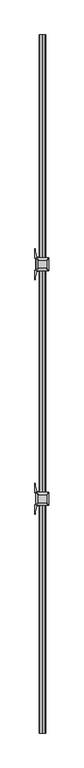
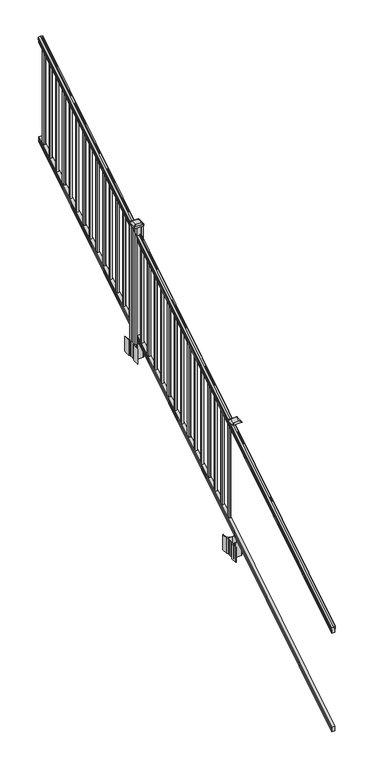
"""IFC4 building model written with IfcOpenShell, lengths in millimetres: railing geometry."""

from ifc_helpers import new_model, si_unit, point, frame, frame_2d, origin, place, context, project, spatial, polyline, circle_curve, ellipse_curve, trimmed, segment, composite_curve, outline, extrude, faceted_brep, source, transform, mapped, element, save
from ifc_brep_helpers import plane_surface, cylinder_surface, revolved_surface, extruded_surface, advanced_brep


def railing_c92afcb0(model_context):
    return source(origin(), model_context, "Body", "SolidModel", [
        advanced_brep(
        [(12633.3130321, -7669.8194681, 1285.6070492), (12633.3130321, -7669.8194681, 1287.8335658), (12634.4432184, -7669.8194681, 1289.6758543), (12634.4432184, -7669.8194681, 1298.1876358), (12633.793962, -7669.8194681, 1301.0572588), (12636.293962, -7669.8194681, 1306.1635509), (12637.7033045, -7669.8194681, 1308.1442021), (12638.1052035, -7669.8194681, 1309.4469579), (12638.1052034, -7669.8194681, 1311.0274846), (12636.5517561, -7669.8194681, 1312.8593836), (12615.8802034, -7669.8194681, 1312.8593836), (12595.2086506, -7669.8194681, 1312.8593836), (12593.6552034, -7669.8194681, 1311.0274846), (12593.6552034, -7669.8194681, 1309.4469579), (12594.0571023, -7669.8194681, 1308.1442021), (12595.4664447, -7669.8194681, 1306.1635509), (12597.9664447, -7669.8194681, 1301.0572588), (12597.3171883, -7669.8194681, 1298.1876358), (12597.3171883, -7669.8194681, 1289.6758543), (12598.4473746, -7669.8194681, 1287.8335658), (12598.4473746, -7669.8194681, 1285.6070492), (12601.0212034, -7669.8194681, 1285.6070492), (12601.0212034, -7669.8194681, 1273.225537), (12600.0052034, -7669.8194681, 1272.0274214), (12600.0052034, -7669.8194681, 1257.3), (12631.7552034, -7669.8194681, 1257.3), (12631.7552034, -7669.8194681, 1271.841318), (12630.7392034, -7669.8194681, 1273.0394336), (12630.7392034, -7669.8194681, 1285.6070492), (12633.3130321, -2793.0194681, 4333.6070492), (12630.7392034, -2793.0194681, 4333.6070492), (12630.7392034, -2793.0194681, 4321.0394336), (12631.7552034, -2793.0194681, 4319.841318), (12631.7552034, -2793.0194681, 4305.3), (12600.0052034, -2793.0194681, 4305.3), (12600.0052034, -2793.0194681, 4320.0274214), (12601.0212034, -2793.0194681, 4321.225537), (12601.0212034, -2793.0194681, 4333.6070492), (12598.4473746, -2793.0194681, 4333.6070492), (12598.4473746, -2793.0194681, 4335.8335658), (12597.3171883, -2793.0194681, 4337.6758543), (12597.3171883, -2793.0194681, 4346.1876358), (12597.9664447, -2793.0194681, 4349.0572588), (12595.4664447, -2793.0194681, 4354.1635509), (12594.0571023, -2793.0194681, 4356.1442021), (12593.6552033, -2793.0194681, 4357.4469579), (12593.6552034, -2793.0194681, 4359.0274846), (12595.2086506, -2793.0194681, 4360.8593836), (12615.8802034, -2793.0194681, 4360.8593836), (12636.5517561, -2793.0194681, 4360.8593836), (12638.1052034, -2793.0194681, 4359.0274846), (12638.1052034, -2793.0194681, 4357.4469579), (12637.7033045, -2793.0194681, 4356.1442021), (12636.293962, -2793.0194681, 4354.1635509), (12633.793962, -2793.0194681, 4349.0572588), (12634.4432184, -2793.0194681, 4346.1876358), (12634.4432184, -2793.0194681, 4337.6758543), (12633.3130321, -2793.0194681, 4335.8335658)],
        [
            (0, 1),
            (1, 2, ellipse_curve(frame((12626.9982788, -7669.8194681, 1294.6239405), z_axis=(0.0, -1.0, 0.0), x_axis=(0.0, 0.0, -1.0)), 10.0777926, 8.545951)),
            (2, 3, ellipse_curve(frame((12627.4353418, -7669.8194681, 1293.9317451), z_axis=(0.0, -1.0, 0.0), x_axis=(0.0, 0.0, -1.0)), 9.2955186, 7.882584)),
            (3, 4, ellipse_curve(frame((12637.9486659, -7669.8194681, 1300.8275077), z_axis=(0.0, 1.0, 0.0), x_axis=(0.0, 0.0, 1.0)), 4.9048088, 4.1592695)),
            (4, 5, ellipse_curve(frame((12639.2359725, -7669.8194681, 1300.7563208), z_axis=(0.0, 1.0, 0.0), x_axis=(0.0, 0.0, 1.0)), 6.4245301, 5.4479907)),
            (5, 6, ellipse_curve(frame((12638.002814, -7669.8194681, 1306.1602333), z_axis=(0.0, 1.0, 0.0), x_axis=(0.0, 0.0, 1.0)), 2.0151625, 1.7088543)),
            (6, 7, ellipse_curve(frame((12636.3859139, -7669.8194681, 1309.4469579), z_axis=(0.0, -1.0, 0.0), x_axis=(0.0, 0.0, -1.0)), 2.0274681, 1.7192895)),
            (7, 8),
            (8, 9, ellipse_curve(frame((12636.5517561, -7669.8194681, 1311.0274846), z_axis=(0.0, -1.0, 0.0), x_axis=(0.0, 0.0, -1.0)), 1.831899, 1.5534472)),
            (9, 10),
            (10, 11),
            (11, 12, ellipse_curve(frame((12595.2086506, -7669.8194681, 1311.0274846), z_axis=(0.0, -1.0, 0.0), x_axis=(0.0, 0.0, -1.0)), 1.831899, 1.5534472)),
            (12, 13),
            (13, 14, ellipse_curve(frame((12595.3744928, -7669.8194681, 1309.4469579), z_axis=(0.0, -1.0, 0.0), x_axis=(0.0, 0.0, -1.0)), 2.0274681, 1.7192895)),
            (14, 15, ellipse_curve(frame((12593.7575927, -7669.8194681, 1306.1602333), z_axis=(0.0, 1.0, 0.0), x_axis=(0.0, 0.0, 1.0)), 2.0151625, 1.7088543)),
            (15, 16, ellipse_curve(frame((12592.5244343, -7669.8194681, 1300.7563208), z_axis=(0.0, 1.0, 0.0), x_axis=(0.0, 0.0, 1.0)), 6.4245301, 5.4479907)),
            (16, 17, ellipse_curve(frame((12593.8117408, -7669.8194681, 1300.8275077), z_axis=(0.0, 1.0, 0.0), x_axis=(0.0, 0.0, 1.0)), 4.9048088, 4.1592695)),
            (17, 18, ellipse_curve(frame((12604.325065, -7669.8194681, 1293.9317451), z_axis=(0.0, -1.0, 0.0), x_axis=(0.0, 0.0, -1.0)), 9.2955186, 7.882584)),
            (18, 19, ellipse_curve(frame((12604.7621279, -7669.8194681, 1294.6239405), z_axis=(0.0, -1.0, 0.0), x_axis=(0.0, 0.0, -1.0)), 10.0777926, 8.545951)),
            (19, 20),
            (20, 21, ellipse_curve(frame((12599.734289, -7669.8194681, 1285.6070492), z_axis=(0.0, -1.0, 0.0), x_axis=(0.0, 0.0, -1.0)), 1.5175907, 1.2869144)),
            (21, 22),
            (22, 23),
            (23, 24),
            (24, 25),
            (25, 26),
            (26, 27),
            (27, 28),
            (28, 0, ellipse_curve(frame((12632.0261177, -7669.8194681, 1285.6070492), z_axis=(0.0, -1.0, 0.0), x_axis=(0.0, 0.0, -1.0)), 1.5175907, 1.2869144)),
            (29, 30, ellipse_curve(frame((12632.0261177, -2793.0194681, 4333.6070492), z_axis=(0.0, 1.0, 0.0), x_axis=(0.0, 0.0, -1.0)), 1.5175907, 1.2869144)),
            (30, 31),
            (31, 32),
            (32, 33),
            (33, 34),
            (34, 35),
            (35, 36),
            (36, 37),
            (37, 38, ellipse_curve(frame((12599.734289, -2793.0194681, 4333.6070492), z_axis=(0.0, 1.0, 0.0), x_axis=(0.0, 0.0, -1.0)), 1.5175907, 1.2869144)),
            (38, 39),
            (39, 40, ellipse_curve(frame((12604.7621279, -2793.0194681, 4342.6239405), z_axis=(0.0, 1.0, 0.0), x_axis=(0.0, 0.0, -1.0)), 10.0777926, 8.545951)),
            (40, 41, ellipse_curve(frame((12604.325065, -2793.0194681, 4341.9317451), z_axis=(0.0, 1.0, 0.0), x_axis=(0.0, 0.0, -1.0)), 9.2955186, 7.882584)),
            (41, 42, ellipse_curve(frame((12593.8117408, -2793.0194681, 4348.8275077), z_axis=(0.0, -1.0, 0.0), x_axis=(0.0, 0.0, 1.0)), 4.9048088, 4.1592695)),
            (42, 43, ellipse_curve(frame((12592.5244343, -2793.0194681, 4348.7563208), z_axis=(0.0, -1.0, 0.0), x_axis=(0.0, 0.0, 1.0)), 6.4245301, 5.4479907)),
            (43, 44, ellipse_curve(frame((12593.7575927, -2793.0194681, 4354.1602333), z_axis=(0.0, -1.0, 0.0), x_axis=(0.0, 0.0, 1.0)), 2.0151625, 1.7088543)),
            (44, 45, ellipse_curve(frame((12595.3744928, -2793.0194681, 4357.4469579), z_axis=(0.0, 1.0, 0.0), x_axis=(0.0, 0.0, -1.0)), 2.0274681, 1.7192895)),
            (45, 46),
            (46, 47, ellipse_curve(frame((12595.2086506, -2793.0194681, 4359.0274846), z_axis=(0.0, 1.0, 0.0), x_axis=(0.0, 0.0, -1.0)), 1.831899, 1.5534472)),
            (47, 48),
            (48, 49),
            (49, 50, ellipse_curve(frame((12636.5517561, -2793.0194681, 4359.0274846), z_axis=(0.0, 1.0, 0.0), x_axis=(0.0, 0.0, -1.0)), 1.831899, 1.5534472)),
            (50, 51),
            (51, 52, ellipse_curve(frame((12636.3859139, -2793.0194681, 4357.4469579), z_axis=(0.0, 1.0, 0.0), x_axis=(0.0, 0.0, -1.0)), 2.0274681, 1.7192895)),
            (52, 53, ellipse_curve(frame((12638.002814, -2793.0194681, 4354.1602333), z_axis=(0.0, -1.0, 0.0), x_axis=(0.0, 0.0, 1.0)), 2.0151625, 1.7088543)),
            (53, 54, ellipse_curve(frame((12639.2359725, -2793.0194681, 4348.7563208), z_axis=(0.0, -1.0, 0.0), x_axis=(0.0, 0.0, 1.0)), 6.4245301, 5.4479907)),
            (54, 55, ellipse_curve(frame((12637.9486659, -2793.0194681, 4348.8275077), z_axis=(0.0, -1.0, 0.0), x_axis=(0.0, 0.0, 1.0)), 4.9048088, 4.1592695)),
            (55, 56, ellipse_curve(frame((12627.4353418, -2793.0194681, 4341.9317451), z_axis=(0.0, 1.0, 0.0), x_axis=(0.0, 0.0, -1.0)), 9.2955186, 7.882584)),
            (56, 57, ellipse_curve(frame((12626.9982788, -2793.0194681, 4342.6239405), z_axis=(0.0, 1.0, 0.0), x_axis=(0.0, 0.0, -1.0)), 10.0777926, 8.545951)),
            (57, 29),
            (28, 30),
            (29, 0),
            (27, 31),
            (26, 32),
            (25, 33),
            (24, 34),
            (23, 35),
            (22, 36),
            (21, 37),
            (20, 38),
            (19, 39),
            (18, 40),
            (17, 41),
            (16, 42),
            (15, 43),
            (14, 44),
            (13, 45),
            (12, 46),
            (11, 47),
            (10, 48),
            (9, 49),
            (8, 50),
            (7, 51),
            (6, 52),
            (5, 53),
            (4, 54),
            (3, 55),
            (2, 56),
            (1, 57),
        ],
        [
            plane_surface(frame((12615.8802034, -7669.8194681, 1257.3), z_axis=(0.0, -1.0, 0.0), x_axis=(0.0, 0.0, 1.0))),
            plane_surface(frame((12615.8802034, -2793.0194681, 4305.3), z_axis=(0.0, 1.0, 0.0), x_axis=(0.0, 0.0, 1.0))),
            cylinder_surface(frame((12632.0261177, -7682.5417374, 1277.6556309), z_axis=(0.0, -0.8479983040051253, -0.5299989400031204), x_axis=(-1.0, 0.0, 0.0)), 1.2869144),
            plane_surface(frame((12630.7392034, -7669.8194681, 1273.0394336), z_axis=(1.0000000000000002, 0.0, 0.0), x_axis=(0.0, 0.8479983040051253, 0.5299989400031204))),
            plane_surface(frame((12631.7552034, -7669.8194681, 1271.841318), z_axis=(0.7071067811865389, -0.3747658444978942, 0.5996253511967224), x_axis=(0.0, 0.8479983040051252, 0.5299989400031204))),
            plane_surface(frame((12631.7552034, -7669.8194681, 1257.3), z_axis=(1.0000000000000002, 0.0, 0.0), x_axis=(0.0, 0.8479983040051253, 0.5299989400031204))),
            plane_surface(frame((12600.0052034, -7669.8194681, 1257.3), z_axis=(0.0, 0.5299989400031204, -0.8479983040051253), x_axis=(0.0, 0.8479983040051253, 0.5299989400031204))),
            plane_surface(frame((12600.0052034, -7669.8194681, 1272.0274214), z_axis=(-1.0000000000000002, 0.0, 0.0), x_axis=(0.0, 0.8479983040051253, 0.5299989400031204))),
            plane_surface(frame((12601.0212034, -7669.8194681, 1273.225537), z_axis=(-0.7071067811865438, -0.3747658444978897, 0.5996253511967192), x_axis=(0.0, 0.8479983040051252, 0.5299989400031204))),
            plane_surface(frame((12601.0212034, -7669.8194681, 1285.6070492), z_axis=(-1.0000000000000002, 0.0, 0.0), x_axis=(0.0, 0.8479983040051253, 0.5299989400031204))),
            cylinder_surface(frame((12599.734289, -7682.5417374, 1277.6556309), z_axis=(0.0, -0.8479983040051253, -0.5299989400031204), x_axis=(1.0, 0.0, 0.0)), 1.2869144),
            plane_surface(frame((12598.4473746, -7669.8194681, 1287.8335658), z_axis=(-1.0000000000000002, 0.0, 0.0), x_axis=(0.0, 0.8479983040051253, 0.5299989400031204))),
            cylinder_surface(frame((12604.7621279, -7686.5942728, 1284.1396876), z_axis=(0.0, -0.8479983040051253, -0.5299989400031204), x_axis=(1.0, 0.0, 0.0)), 8.545951),
            cylinder_surface(frame((12604.325065, -7686.2831737, 1283.641929), z_axis=(0.0, -0.8479983040051253, -0.5299989400031204), x_axis=(1.0, 0.0, 0.0)), 7.882584),
            revolved_surface(polyline([(12597.9710103, -2790.8150596503465, 4350.205262980555), (12597.9710103, -7672.023876549438, 1299.4497524191)]), (12593.8117408, -7689.3823929, 1288.6006797), (0.0, 0.8479983040051253, 0.5299989400031204)),
            revolved_surface(polyline([(12597.972425, -2790.132038835738, 4350.5609640771845), (12597.972425, -7672.7068973528085, 1298.9516775044933)]), (12592.5244343, -7689.3503988, 1288.5494891), (0.0, 0.8479983040051253, 0.5299989400031204)),
            revolved_surface(polyline([(12595.466447, -2792.113777099784, 4354.726290199656), (12595.466447, -7670.725159122471, 1305.5941764359536)]), (12593.7575927, -7691.7791235, 1292.4354487), (0.0, 0.8479983040051253, 0.5299989400031204)),
            cylinder_surface(frame((12595.3744928, -7693.2563031, 1294.798936), z_axis=(0.0, -0.8479983040051253, -0.5299989400031204), x_axis=(1.0, 0.0, 0.0)), 1.7192895),
            plane_surface(frame((12593.6552034, -7669.8194681, 1311.0274846), z_axis=(-1.0000000000000002, 0.0, 0.0), x_axis=(0.0, 0.8479983040051253, 0.5299989400031204))),
            cylinder_surface(frame((12595.2086506, -7693.9666522, 1295.9354945), z_axis=(0.0, -0.8479983040051253, -0.5299989400031204), x_axis=(1.0, 0.0, 0.0)), 1.5534472),
            plane_surface(frame((12615.8802034, -7669.8194681, 1312.8593836), z_axis=(0.0, -0.5299989400031204, 0.8479983040051253), x_axis=(0.0, 0.8479983040051253, 0.5299989400031204))),
            plane_surface(frame((12636.5517561, -7669.8194681, 1312.8593836), z_axis=(0.0, -0.5299989400031204, 0.8479983040051253), x_axis=(0.0, 0.8479983040051253, 0.5299989400031204))),
            cylinder_surface(frame((12636.5517561, -7693.9666522, 1295.9354945), z_axis=(0.0, -0.8479983040051253, -0.5299989400031204), x_axis=(-1.0, 0.0, 0.0)), 1.5534472),
            plane_surface(frame((12638.1052034, -7669.8194681, 1309.4469579), z_axis=(1.0000000000000002, 0.0, 0.0), x_axis=(0.0, 0.8479983040051253, 0.5299989400031204))),
            cylinder_surface(frame((12636.3859139, -7693.2563031, 1294.798936), z_axis=(0.0, -0.8479983040051253, -0.5299989400031204), x_axis=(-1.0, 0.0, 0.0)), 1.7192895),
            revolved_surface(polyline([(12636.293959699999, -2792.113777099784, 4354.726290199656), (12636.293959699999, -7670.725159122471, 1305.5941764359536)]), (12638.002814, -7691.7791235, 1292.4354487), (0.0, 0.8479983040051253, 0.5299989400031204)),
            revolved_surface(polyline([(12633.7879818, -2790.132038835738, 4350.5609640771845), (12633.7879818, -7672.7068973528085, 1298.9516775044933)]), (12639.2359725, -7689.3503988, 1288.5494891), (0.0, 0.8479983040051253, 0.5299989400031204)),
            revolved_surface(polyline([(12633.7893964, -2790.8150596503465, 4350.205262980555), (12633.7893964, -7672.023876549438, 1299.4497524191)]), (12637.9486659, -7689.3823929, 1288.6006797), (0.0, 0.8479983040051253, 0.5299989400031204)),
            cylinder_surface(frame((12627.4353418, -7686.2831737, 1283.641929), z_axis=(0.0, -0.8479983040051253, -0.5299989400031204), x_axis=(-1.0, 0.0, 0.0)), 7.882584),
            cylinder_surface(frame((12626.9982788, -7686.5942728, 1284.1396876), z_axis=(0.0, -0.8479983040051253, -0.5299989400031204), x_axis=(-1.0, 0.0, 0.0)), 8.545951),
            plane_surface(frame((12633.3130321, -7669.8194681, 1285.6070492), z_axis=(1.0, 0.0, 0.0), x_axis=(0.0, 0.8479983040051253, 0.5299989400031203))),
        ],
        [
            (0, [[1, 2, 3, 4, 5, 6, 7, 8, 9, 10, 11, 12, 13, 14, 15, 16, 17, 18, 19, 20, 21, 22, 23, 24, 25, 26, 27, 28, 29]]),
            (1, [[30, 31, 32, 33, 34, 35, 36, 37, 38, 39, 40, 41, 42, 43, 44, 45, 46, 47, 48, 49, 50, 51, 52, 53, 54, 55, 56, 57, 58]]),
            (2, [[-29, 59, -30, 60]]),
            (3, [[-28, 61, -31, -59]]),
            (4, [[-27, 62, -32, -61]]),
            (5, [[-26, 63, -33, -62]]),
            (6, [[-25, 64, -34, -63]]),
            (7, [[-24, 65, -35, -64]]),
            (8, [[-23, 66, -36, -65]]),
            (9, [[-22, 67, -37, -66]]),
            (10, [[-21, 68, -38, -67]]),
            (11, [[-20, 69, -39, -68]]),
            (12, [[-19, 70, -40, -69]]),
            (13, [[-18, 71, -41, -70]]),
            (14, [[-17, 72, -42, -71]]),
            (15, [[-16, 73, -43, -72]]),
            (16, [[-15, 74, -44, -73]]),
            (17, [[-14, 75, -45, -74]]),
            (18, [[-13, 76, -46, -75]]),
            (19, [[-12, 77, -47, -76]]),
            (20, [[-11, 78, -48, -77]]),
            (21, [[-10, 79, -49, -78]]),
            (22, [[-9, 80, -50, -79]]),
            (23, [[-8, 81, -51, -80]]),
            (24, [[-7, 82, -52, -81]]),
            (25, [[-6, 83, -53, -82]]),
            (26, [[-5, 84, -54, -83]]),
            (27, [[-4, 85, -55, -84]]),
            (28, [[-3, 86, -56, -85]]),
            (29, [[-2, 87, -57, -86]]),
            (30, [[-1, -60, -58, -87]]),
        ],
    ),
        faceted_brep([(12631.7926903, -7669.8194681, 268.8045079), (12630.7766903, -7669.8194681, 270.338026), (12630.7766903, -7669.8194681, 282.5545048), (12631.7926903, -7669.8194681, 284.1444579), (12631.7926903, -7669.8194681, 298.9244744), (12600.0426903, -7669.8194681, 298.9244744), (12600.0426903, -7669.8194681, 284.1248272), (12601.0586903, -7669.8194681, 282.5348741), (12601.0586903, -7669.8194681, 270.3748303), (12600.0426903, -7669.8194681, 268.7848772), (12600.0426903, -7669.8194681, 254.0), (12631.7926903, -7669.8194681, 254.0), (12631.7926903, -2793.0194681, 3316.8045079), (12631.7926903, -2793.0194681, 3302.0), (12600.0426903, -2793.0194681, 3302.0), (12600.0426903, -2793.0194681, 3316.7848772), (12601.0586903, -2793.0194681, 3318.3748303), (12601.0586903, -2793.0194681, 3330.5348741), (12600.0426903, -2793.0194681, 3332.1248272), (12600.0426903, -2793.0194681, 3346.9244744), (12631.7926903, -2793.0194681, 3346.9244744), (12631.7926903, -2793.0194681, 3332.1444579), (12630.7766903, -2793.0194681, 3330.5545048), (12630.7766903, -2793.0194681, 3318.338026)], [[[0, 1, 2, 3, 4, 5, 6, 7, 8, 9, 10, 11]], [[12, 13, 14, 15, 16, 17, 18, 19, 20, 21, 22, 23]], [[0, 11, 13, 12]], [[11, 10, 14, 13]], [[10, 9, 15, 14]], [[9, 8, 16, 15]], [[8, 7, 17, 16]], [[7, 6, 18, 17]], [[6, 5, 19, 18]], [[5, 4, 20, 19]], [[4, 3, 21, 20]], [[3, 2, 22, 21]], [[2, 1, 23, 22]], [[1, 0, 12, 23]]]),
        extrude(outline(polyline([(12625.4052034, -2862.9964681), (12606.3552034, -2862.9964681), (12606.3552034, -2843.9464681), (12625.4052034, -2843.9464681), (12625.4052034, -2862.9964681)]), holes=[polyline([(12625.0083284, -2862.5995931), (12625.0083284, -2844.3433431), (12606.7520784, -2844.3433431), (12606.7520784, -2862.5995931), (12625.0083284, -2862.5995931)])]), frame((0.0, 0.0, 3302.3133781), z_axis=(0.0, 0.0, 1.0), x_axis=(1.0, 0.0, 0.0)), (0.0, 0.0, 1.0), 965.2041219),
        extrude(outline(polyline([(12625.4052034, -2974.2484681), (12606.3552034, -2974.2484681), (12606.3552034, -2955.1984681), (12625.4052034, -2955.1984681), (12625.4052034, -2974.2484681)]), holes=[polyline([(12625.0083284, -2973.8515931), (12625.0083284, -2955.5953431), (12606.7520784, -2955.5953431), (12606.7520784, -2973.8515931), (12625.0083284, -2973.8515931)])]), frame((0.0, 0.0, 3232.7808781), z_axis=(0.0, 0.0, 1.0), x_axis=(1.0, 0.0, 0.0)), (0.0, 0.0, 1.0), 965.2041219),
        extrude(outline(polyline([(12625.4052034, -3085.5004681), (12606.3552034, -3085.5004681), (12606.3552034, -3066.4504681), (12625.4052034, -3066.4504681), (12625.4052034, -3085.5004681)]), holes=[polyline([(12625.0083284, -3085.1035931), (12625.0083284, -3066.8473431), (12606.7520784, -3066.8473431), (12606.7520784, -3085.1035931), (12625.0083284, -3085.1035931)])]), frame((0.0, 0.0, 3163.2483781), z_axis=(0.0, 0.0, 1.0), x_axis=(1.0, 0.0, 0.0)), (0.0, 0.0, 1.0), 965.2041219),
        extrude(outline(polyline([(12625.4052034, -3196.7524681), (12606.3552034, -3196.7524681), (12606.3552034, -3177.7024681), (12625.4052034, -3177.7024681), (12625.4052034, -3196.7524681)]), holes=[polyline([(12625.0083284, -3196.3555931), (12625.0083284, -3178.0993431), (12606.7520784, -3178.0993431), (12606.7520784, -3196.3555931), (12625.0083284, -3196.3555931)])]), frame((0.0, 0.0, 3093.7158781), z_axis=(0.0, 0.0, 1.0), x_axis=(1.0, 0.0, 0.0)), (0.0, 0.0, 1.0), 965.2041219),
        extrude(outline(polyline([(12625.4052034, -3308.0044681), (12606.3552034, -3308.0044681), (12606.3552034, -3288.9544681), (12625.4052034, -3288.9544681), (12625.4052034, -3308.0044681)]), holes=[polyline([(12625.0083284, -3307.6075931), (12625.0083284, -3289.3513431), (12606.7520784, -3289.3513431), (12606.7520784, -3307.6075931), (12625.0083284, -3307.6075931)])]), frame((0.0, 0.0, 3024.1833781), z_axis=(0.0, 0.0, 1.0), x_axis=(1.0, 0.0, 0.0)), (0.0, 0.0, 1.0), 965.2041219),
        extrude(outline(polyline([(12625.4052034, -3419.2564681), (12606.3552034, -3419.2564681), (12606.3552034, -3400.2064681), (12625.4052034, -3400.2064681), (12625.4052034, -3419.2564681)]), holes=[polyline([(12625.0083284, -3418.8595931), (12625.0083284, -3400.6033431), (12606.7520784, -3400.6033431), (12606.7520784, -3418.8595931), (12625.0083284, -3418.8595931)])]), frame((0.0, 0.0, 2954.6508781), z_axis=(0.0, 0.0, 1.0), x_axis=(1.0, 0.0, 0.0)), (0.0, 0.0, 1.0), 965.2041219),
        extrude(outline(polyline([(12625.4052034, -3530.5084681), (12606.3552034, -3530.5084681), (12606.3552034, -3511.4584681), (12625.4052034, -3511.4584681), (12625.4052034, -3530.5084681)]), holes=[polyline([(12625.0083284, -3530.1115931), (12625.0083284, -3511.8553431), (12606.7520784, -3511.8553431), (12606.7520784, -3530.1115931), (12625.0083284, -3530.1115931)])]), frame((0.0, 0.0, 2885.1183781), z_axis=(0.0, 0.0, 1.0), x_axis=(1.0, 0.0, 0.0)), (0.0, 0.0, 1.0), 965.2041219),
        extrude(outline(polyline([(12625.4052034, -3641.7604681), (12606.3552034, -3641.7604681), (12606.3552034, -3622.7104681), (12625.4052034, -3622.7104681), (12625.4052034, -3641.7604681)]), holes=[polyline([(12625.0083284, -3641.3635931), (12625.0083284, -3623.1073431), (12606.7520784, -3623.1073431), (12606.7520784, -3641.3635931), (12625.0083284, -3641.3635931)])]), frame((0.0, 0.0, 2815.5858781), z_axis=(0.0, 0.0, 1.0), x_axis=(1.0, 0.0, 0.0)), (0.0, 0.0, 1.0), 965.2041219),
        extrude(outline(polyline([(12625.4052034, -3753.0124681), (12606.3552034, -3753.0124681), (12606.3552034, -3733.9624681), (12625.4052034, -3733.9624681), (12625.4052034, -3753.0124681)]), holes=[polyline([(12625.0083284, -3752.6155931), (12625.0083284, -3734.3593431), (12606.7520784, -3734.3593431), (12606.7520784, -3752.6155931), (12625.0083284, -3752.6155931)])]), frame((0.0, 0.0, 2746.0533781), z_axis=(0.0, 0.0, 1.0), x_axis=(1.0, 0.0, 0.0)), (0.0, 0.0, 1.0), 965.2041219),
        extrude(outline(polyline([(12625.4052034, -3864.2644681), (12606.3552034, -3864.2644681), (12606.3552034, -3845.2144681), (12625.4052034, -3845.2144681), (12625.4052034, -3864.2644681)]), holes=[polyline([(12625.0083284, -3863.8675931), (12625.0083284, -3845.6113431), (12606.7520784, -3845.6113431), (12606.7520784, -3863.8675931), (12625.0083284, -3863.8675931)])]), frame((0.0, 0.0, 2676.5208781), z_axis=(0.0, 0.0, 1.0), x_axis=(1.0, 0.0, 0.0)), (0.0, 0.0, 1.0), 965.2041219),
        extrude(outline(polyline([(12625.4052034, -3975.5164681), (12606.3552034, -3975.5164681), (12606.3552034, -3956.4664681), (12625.4052034, -3956.4664681), (12625.4052034, -3975.5164681)]), holes=[polyline([(12625.0083284, -3975.1195931), (12625.0083284, -3956.8633431), (12606.7520784, -3956.8633431), (12606.7520784, -3975.1195931), (12625.0083284, -3975.1195931)])]), frame((0.0, 0.0, 2606.9883781), z_axis=(0.0, 0.0, 1.0), x_axis=(1.0, 0.0, 0.0)), (0.0, 0.0, 1.0), 965.2041219),
        extrude(outline(polyline([(12625.4052034, -4086.7684681), (12606.3552034, -4086.7684681), (12606.3552034, -4067.7184681), (12625.4052034, -4067.7184681), (12625.4052034, -4086.7684681)]), holes=[polyline([(12625.0083284, -4086.3715931), (12625.0083284, -4068.1153431), (12606.7520784, -4068.1153431), (12606.7520784, -4086.3715931), (12625.0083284, -4086.3715931)])]), frame((0.0, 0.0, 2537.4558781), z_axis=(0.0, 0.0, 1.0), x_axis=(1.0, 0.0, 0.0)), (0.0, 0.0, 1.0), 965.2041219),
        extrude(outline(polyline([(12625.4052034, -4198.0204681), (12606.3552034, -4198.0204681), (12606.3552034, -4178.9704681), (12625.4052034, -4178.9704681), (12625.4052034, -4198.0204681)]), holes=[polyline([(12625.0083284, -4197.6235931), (12625.0083284, -4179.3673431), (12606.7520784, -4179.3673431), (12606.7520784, -4197.6235931), (12625.0083284, -4197.6235931)])]), frame((0.0, 0.0, 2467.9233781), z_axis=(0.0, 0.0, 1.0), x_axis=(1.0, 0.0, 0.0)), (0.0, 0.0, 1.0), 965.2041219),
        extrude(outline(polyline([(12625.4052034, -4309.2724681), (12606.3552034, -4309.2724681), (12606.3552034, -4290.2224681), (12625.4052034, -4290.2224681), (12625.4052034, -4309.2724681)]), holes=[polyline([(12625.0083284, -4308.8755931), (12625.0083284, -4290.6193431), (12606.7520784, -4290.6193431), (12606.7520784, -4308.8755931), (12625.0083284, -4308.8755931)])]), frame((0.0, 0.0, 2398.3908781), z_axis=(0.0, 0.0, 1.0), x_axis=(1.0, 0.0, 0.0)), (0.0, 0.0, 1.0), 965.2041219),
        extrude(outline(composite_curve([segment(polyline([(12658.6157034, -4412.637563), (12660.2032034, -4413.399563), (12660.2032034, -4436.201491), (12656.8302263, -4439.5744681), (12595.3705555, -4439.5744681), (12595.3705555, -4440.4952181), (12590.0530117, -4440.4952181), (12590.0530117, -4441.9494728), (12584.968482, -4441.9494728), (12584.968482, -4443.2334966), (12583.3012097, -4443.2334966)]), True, "CONTINUOUS"), segment(trimmed(circle_curve(frame_2d((12583.3012097, -4450.2929565)), 7.0594599), [point((12583.3012097, -4443.2334966))], [point((12576.5339468, -4448.2829498))], True, "CARTESIAN"), True, "CONTINUOUS"), segment(polyline([(12576.5339468, -4448.2829498), (12568.6597526, -4474.7936789)]), True, "CONTINUOUS"), segment(trimmed(circle_curve(frame_2d((12623.4442659, -4491.0657285)), 57.15), [point((12568.6597526, -4474.7936789))], [point((12566.2942659, -4491.0657285))], True, "CARTESIAN"), True, "CONTINUOUS"), segment(polyline([(12566.2942659, -4491.0657285), (12566.2942659, -4503.0744681), (12563.2942659, -4503.0744681), (12563.2942659, -4437.9869681), (12571.5572034, -4426.6486768), (12571.5572034, -4413.399563), (12573.1447034, -4412.637563), (12573.1447034, -4377.8653732), (12571.5572034, -4377.1033732), (12571.5572034, -4363.8542594), (12563.2942659, -4352.5159681), (12563.2942659, -4287.4284681), (12566.2942659, -4287.4284681), (12566.2942659, -4299.4372076)]), True, "CONTINUOUS"), segment(trimmed(circle_curve(frame_2d((12623.4442659, -4299.4372076)), 57.15), [point((12566.2942659, -4299.4372076))], [point((12568.6597526, -4315.7092573))], True, "CARTESIAN"), True, "CONTINUOUS"), segment(polyline([(12568.6597526, -4315.7092573), (12576.5339468, -4342.2199864)]), True, "CONTINUOUS"), segment(trimmed(circle_curve(frame_2d((12583.3012097, -4340.2099797)), 7.0594599), [point((12576.5339468, -4342.2199864))], [point((12583.3012097, -4347.2694396))], True, "CARTESIAN"), True, "CONTINUOUS"), segment(polyline([(12583.3012097, -4347.2694396), (12584.968482, -4347.2694396), (12584.968482, -4348.5534634), (12590.0530117, -4348.5534634), (12590.0530117, -4350.0077181), (12595.3705555, -4350.0077181), (12595.3705555, -4350.9284681), (12656.8302263, -4350.9284681), (12660.2032034, -4354.3014452), (12660.2032034, -4377.1033732), (12658.6157034, -4377.8653732), (12658.6157034, -4412.637563)]), True, "CONTINUOUS")], self_intersect=False), holes=[polyline([(12574.6052034, -4355.5639681), (12574.6052034, -4434.9389681), (12576.1927034, -4436.5264681), (12613.116986, -4436.5264681), (12655.5677034, -4436.5264681), (12657.1552034, -4434.9389681), (12657.1552034, -4355.5639681), (12655.5677034, -4353.9764681), (12613.116986, -4353.9764681), (12576.1927034, -4353.9764681), (12574.6052034, -4355.5639681)])]), frame((0.0, 0.0, 2084.705), z_axis=(0.0, 0.0, 1.0), x_axis=(1.0, 0.0, 0.0)), (0.0, 0.0, 1.0), 152.4),
        advanced_brep(
        [(12590.0833284, -4424.2233431, 3449.444263), (12641.6770784, -4424.2233431, 3449.444263), (12644.8520784, -4421.0483431, 3449.444263), (12644.8520784, -4369.4545931, 3449.444263), (12641.6770784, -4366.2795931, 3449.444263), (12590.0833284, -4366.2795931, 3449.444263), (12586.9083284, -4369.4545931, 3449.444263), (12586.9083284, -4421.0483431, 3449.444263), (12573.8114534, -4440.4952181, 3438.141263), (12570.6364534, -4437.3202181, 3438.141263), (12570.6364534, -4353.1827181, 3438.141263), (12573.8114534, -4350.0077181, 3438.141263), (12657.9489534, -4350.0077181, 3438.141263), (12661.1239534, -4353.1827181, 3438.141263), (12661.1239534, -4437.3202181, 3438.141263), (12657.9489534, -4440.4952181, 3438.141263)],
        [
            (0, 1),
            (1, 2, circle_curve(frame((12641.6770784, -4421.0483431, 3449.444263), z_axis=(0.0, 0.0, 1.0), x_axis=(0.0, 1.0, 0.0)), 3.175)),
            (2, 3),
            (3, 4, circle_curve(frame((12641.6770784, -4369.4545931, 3449.444263), z_axis=(0.0, 0.0, 1.0), x_axis=(0.0, 1.0, 0.0)), 3.175)),
            (4, 5),
            (5, 6, circle_curve(frame((12590.0833284, -4369.4545931, 3449.444263), z_axis=(0.0, 0.0, 1.0), x_axis=(0.0, 1.0, 0.0)), 3.175)),
            (6, 7),
            (7, 0, circle_curve(frame((12590.0833284, -4421.0483431, 3449.444263), z_axis=(0.0, 0.0, 1.0), x_axis=(0.0, 1.0, 0.0)), 3.175)),
            (8, 9, circle_curve(frame((12573.8114534, -4437.3202181, 3438.141263), z_axis=(0.0, 0.0, -1.0), x_axis=(0.0, 1.0, 0.0)), 3.175)),
            (9, 10),
            (10, 11, circle_curve(frame((12573.8114534, -4353.1827181, 3438.141263), z_axis=(0.0, 0.0, -1.0), x_axis=(0.0, 1.0, 0.0)), 3.175)),
            (11, 12),
            (12, 13, circle_curve(frame((12657.9489534, -4353.1827181, 3438.141263), z_axis=(0.0, 0.0, -1.0), x_axis=(0.0, 1.0, 0.0)), 3.175)),
            (13, 14),
            (14, 15, circle_curve(frame((12657.9489534, -4437.3202181, 3438.141263), z_axis=(0.0, 0.0, -1.0), x_axis=(0.0, 1.0, 0.0)), 3.175)),
            (15, 8),
            (8, 0),
            (7, 9),
            (6, 10),
            (5, 11),
            (4, 12),
            (3, 13),
            (2, 14),
            (1, 15),
        ],
        [
            plane_surface(frame((12615.8802034, -4395.2514681, 3449.444263), z_axis=(0.0, 0.0, 1.0), x_axis=(-1.0, 0.0, 0.0))),
            plane_surface(frame((12615.8802034, -4395.2514681, 3438.141263), z_axis=(0.0, 0.0, -1.0), x_axis=(-1.0, 0.0, 0.0))),
            extruded_surface(trimmed(circle_curve(frame((12590.0833284, -4421.0483431, 3449.444263), z_axis=(0.0, 0.0, -1.0), x_axis=(0.0, 1.0, 0.0)), 3.175), [point((12590.0833284, -4424.2233431, 3449.444263))], [point((12586.9083284, -4421.0483431, 3449.444263))], True, "CARTESIAN"), (-16.271875000000364, -16.271874999999454, -11.302999999999884), 25.637972638865996),
            plane_surface(frame((12570.6364534, -4395.2514681, 3438.141263), z_axis=(-0.5705009161540778, 0.0, 0.8212969649690408), x_axis=(0.0, 1.0, 0.0))),
            extruded_surface(trimmed(circle_curve(frame((12590.0833284, -4369.4545931, 3449.444263), z_axis=(0.0, 0.0, -1.0), x_axis=(0.0, 1.0, 0.0)), 3.175), [point((12586.9083284, -4369.4545931, 3449.444263))], [point((12590.0833284, -4366.2795931, 3449.444263))], True, "CARTESIAN"), (-16.271875000000364, 16.271875000000364, -11.302999999999884), 25.63797263886657),
            plane_surface(frame((12615.8802034, -4350.0077181, 3438.141263), z_axis=(0.0, 0.5705009161540291, 0.8212969649690747), x_axis=(1.0, 0.0, 0.0))),
            extruded_surface(trimmed(circle_curve(frame((12641.6770784, -4369.4545931, 3449.444263), z_axis=(0.0, 0.0, -1.0), x_axis=(0.0, 1.0, 0.0)), 3.175), [point((12641.6770784, -4366.2795931, 3449.444263))], [point((12644.8520784, -4369.4545931, 3449.444263))], True, "CARTESIAN"), (16.271875000000364, 16.271875000000364, -11.302999999999884), 25.63797263886657),
            plane_surface(frame((12661.1239534, -4395.2514681, 3438.141263), z_axis=(0.5705009161540142, 0.0, 0.8212969649690851), x_axis=(0.0, -1.0, 0.0))),
            extruded_surface(trimmed(circle_curve(frame((12641.6770784, -4421.0483431, 3449.444263), z_axis=(0.0, 0.0, -1.0), x_axis=(0.0, 1.0, 0.0)), 3.175), [point((12644.8520784, -4421.0483431, 3449.444263))], [point((12641.6770784, -4424.2233431, 3449.444263))], True, "CARTESIAN"), (16.271875000000364, -16.271874999999454, -11.302999999999884), 25.637972638865996),
            plane_surface(frame((12615.8802034, -4440.4952181, 3438.141263), z_axis=(0.0, -0.570500916154034, 0.8212969649690713), x_axis=(-1.0, 0.0, 0.0))),
        ],
        [
            (0, [[1, 2, 3, 4, 5, 6, 7, 8]]),
            (1, [[9, 10, 11, 12, 13, 14, 15, 16]]),
            (2, [[17, -8, 18, -9]]),
            (3, [[-18, -7, 19, -10]]),
            (4, [[-19, -6, 20, -11]]),
            (5, [[-20, -5, 21, -12]]),
            (6, [[-21, -4, 22, -13]]),
            (7, [[-22, -3, 23, -14]]),
            (8, [[-23, -2, 24, -15]]),
            (9, [[-24, -1, -17, -16]]),
        ],
    ),
        extrude(outline(composite_curve([segment(trimmed(circle_curve(frame_2d((12573.8114534, -4437.3202181)), 3.175), [point((12573.8114534, -4440.4952181))], [point((12570.6364534, -4437.3202181))], False, "CARTESIAN"), True, "CONTINUOUS"), segment(polyline([(12570.6364534, -4437.3202181), (12570.6364534, -4353.1827181)]), True, "CONTINUOUS"), segment(trimmed(circle_curve(frame_2d((12573.8114534, -4353.1827181)), 3.175), [point((12570.6364534, -4353.1827181))], [point((12573.8114534, -4350.0077181))], False, "CARTESIAN"), True, "CONTINUOUS"), segment(polyline([(12573.8114534, -4350.0077181), (12657.9489534, -4350.0077181)]), True, "CONTINUOUS"), segment(trimmed(circle_curve(frame_2d((12657.9489534, -4353.1827181)), 3.175), [point((12657.9489534, -4350.0077181))], [point((12661.1239534, -4353.1827181))], False, "CARTESIAN"), True, "CONTINUOUS"), segment(polyline([(12661.1239534, -4353.1827181), (12661.1239534, -4437.3202181)]), True, "CONTINUOUS"), segment(trimmed(circle_curve(frame_2d((12657.9489534, -4437.3202181)), 3.175), [point((12661.1239534, -4437.3202181))], [point((12657.9489534, -4440.4952181))], False, "CARTESIAN"), True, "CONTINUOUS"), segment(polyline([(12657.9489534, -4440.4952181), (12573.8114534, -4440.4952181)]), True, "CONTINUOUS")], self_intersect=False)), frame((0.0, 0.0, 3420.869263), z_axis=(0.0, 0.0, 1.0), x_axis=(1.0, 0.0, 0.0)), (0.0, 0.0, 1.0), 17.272),
        extrude(outline(polyline([(12576.1927034, -4436.5264681), (12574.6052034, -4434.9389681), (12574.6052034, -4415.3174681), (12576.1927034, -4414.5554681), (12576.1927034, -4375.9474681), (12574.6052034, -4375.1854681), (12574.6052034, -4355.5639681), (12576.1927034, -4353.9764681), (12595.8142034, -4353.9764681), (12596.5762034, -4355.5639681), (12635.1842034, -4355.5639681), (12635.9462034, -4353.9764681), (12655.5677034, -4353.9764681), (12657.1552034, -4355.5639681), (12657.1552034, -4375.1854681), (12655.5677034, -4375.9474681), (12655.5677034, -4414.5554681), (12657.1552034, -4415.3174681), (12657.1552034, -4434.9389681), (12655.5677034, -4436.5264681), (12635.9462034, -4436.5264681), (12635.1842034, -4434.9389681), (12596.5762034, -4434.9389681), (12595.8142034, -4436.5264681), (12576.1927034, -4436.5264681)])), frame((0.0, 0.0, 2237.105), z_axis=(0.0, 0.0, 1.0), x_axis=(1.0, 0.0, 0.0)), (0.0, 0.0, 1.0), 1183.764263),
        extrude(outline(polyline([(12625.4052034, -4500.2804681), (12606.3552034, -4500.2804681), (12606.3552034, -4481.2304681), (12625.4052034, -4481.2304681), (12625.4052034, -4500.2804681)]), holes=[polyline([(12625.0083284, -4499.8835931), (12625.0083284, -4481.6273431), (12606.7520784, -4481.6273431), (12606.7520784, -4499.8835931), (12625.0083284, -4499.8835931)])]), frame((0.0, 0.0, 2279.0108781), z_axis=(0.0, 0.0, 1.0), x_axis=(1.0, 0.0, 0.0)), (0.0, 0.0, 1.0), 965.2041219),
        extrude(outline(polyline([(12625.4052034, -4611.5324681), (12606.3552034, -4611.5324681), (12606.3552034, -4592.4824681), (12625.4052034, -4592.4824681), (12625.4052034, -4611.5324681)]), holes=[polyline([(12625.0083284, -4611.1355931), (12625.0083284, -4592.8793431), (12606.7520784, -4592.8793431), (12606.7520784, -4611.1355931), (12625.0083284, -4611.1355931)])]), frame((0.0, 0.0, 2209.4783781), z_axis=(0.0, 0.0, 1.0), x_axis=(1.0, 0.0, 0.0)), (0.0, 0.0, 1.0), 965.2041219),
        extrude(outline(polyline([(12625.4052034, -4722.7844681), (12606.3552034, -4722.7844681), (12606.3552034, -4703.7344681), (12625.4052034, -4703.7344681), (12625.4052034, -4722.7844681)]), holes=[polyline([(12625.0083284, -4722.3875931), (12625.0083284, -4704.1313431), (12606.7520784, -4704.1313431), (12606.7520784, -4722.3875931), (12625.0083284, -4722.3875931)])]), frame((0.0, 0.0, 2139.9458781), z_axis=(0.0, 0.0, 1.0), x_axis=(1.0, 0.0, 0.0)), (0.0, 0.0, 1.0), 965.2041219),
        extrude(outline(polyline([(12625.4052034, -4834.0364681), (12606.3552034, -4834.0364681), (12606.3552034, -4814.9864681), (12625.4052034, -4814.9864681), (12625.4052034, -4834.0364681)]), holes=[polyline([(12625.0083284, -4833.6395931), (12625.0083284, -4815.3833431), (12606.7520784, -4815.3833431), (12606.7520784, -4833.6395931), (12625.0083284, -4833.6395931)])]), frame((0.0, 0.0, 2070.4133781), z_axis=(0.0, 0.0, 1.0), x_axis=(1.0, 0.0, 0.0)), (0.0, 0.0, 1.0), 965.2041219),
        extrude(outline(polyline([(12625.4052034, -4945.2884681), (12606.3552034, -4945.2884681), (12606.3552034, -4926.2384681), (12625.4052034, -4926.2384681), (12625.4052034, -4945.2884681)]), holes=[polyline([(12625.0083284, -4944.8915931), (12625.0083284, -4926.6353431), (12606.7520784, -4926.6353431), (12606.7520784, -4944.8915931), (12625.0083284, -4944.8915931)])]), frame((0.0, 0.0, 2000.8808781), z_axis=(0.0, 0.0, 1.0), x_axis=(1.0, 0.0, 0.0)), (0.0, 0.0, 1.0), 965.2041219),
        extrude(outline(polyline([(12625.4052034, -5056.5404681), (12606.3552034, -5056.5404681), (12606.3552034, -5037.4904681), (12625.4052034, -5037.4904681), (12625.4052034, -5056.5404681)]), holes=[polyline([(12625.0083284, -5056.1435931), (12625.0083284, -5037.8873431), (12606.7520784, -5037.8873431), (12606.7520784, -5056.1435931), (12625.0083284, -5056.1435931)])]), frame((0.0, 0.0, 1931.3483781), z_axis=(0.0, 0.0, 1.0), x_axis=(1.0, 0.0, 0.0)), (0.0, 0.0, 1.0), 965.2041219),
        extrude(outline(polyline([(12625.4052034, -5167.7924681), (12606.3552034, -5167.7924681), (12606.3552034, -5148.7424681), (12625.4052034, -5148.7424681), (12625.4052034, -5167.7924681)]), holes=[polyline([(12625.0083284, -5167.3955931), (12625.0083284, -5149.1393431), (12606.7520784, -5149.1393431), (12606.7520784, -5167.3955931), (12625.0083284, -5167.3955931)])]), frame((0.0, 0.0, 1861.8158781), z_axis=(0.0, 0.0, 1.0), x_axis=(1.0, 0.0, 0.0)), (0.0, 0.0, 1.0), 965.2041219),
        extrude(outline(polyline([(12625.4052034, -5279.0444681), (12606.3552034, -5279.0444681), (12606.3552034, -5259.9944681), (12625.4052034, -5259.9944681), (12625.4052034, -5279.0444681)]), holes=[polyline([(12625.0083284, -5278.6475931), (12625.0083284, -5260.3913431), (12606.7520784, -5260.3913431), (12606.7520784, -5278.6475931), (12625.0083284, -5278.6475931)])]), frame((0.0, 0.0, 1792.2833781), z_axis=(0.0, 0.0, 1.0), x_axis=(1.0, 0.0, 0.0)), (0.0, 0.0, 1.0), 965.2041219),
        extrude(outline(polyline([(12625.4052034, -5390.2964681), (12606.3552034, -5390.2964681), (12606.3552034, -5371.2464681), (12625.4052034, -5371.2464681), (12625.4052034, -5390.2964681)]), holes=[polyline([(12625.0083284, -5389.8995931), (12625.0083284, -5371.6433431), (12606.7520784, -5371.6433431), (12606.7520784, -5389.8995931), (12625.0083284, -5389.8995931)])]), frame((0.0, 0.0, 1722.7508781), z_axis=(0.0, 0.0, 1.0), x_axis=(1.0, 0.0, 0.0)), (0.0, 0.0, 1.0), 965.2041219),
        extrude(outline(polyline([(12625.4052034, -5501.5484681), (12606.3552034, -5501.5484681), (12606.3552034, -5482.4984681), (12625.4052034, -5482.4984681), (12625.4052034, -5501.5484681)]), holes=[polyline([(12625.0083284, -5501.1515931), (12625.0083284, -5482.8953431), (12606.7520784, -5482.8953431), (12606.7520784, -5501.1515931), (12625.0083284, -5501.1515931)])]), frame((0.0, 0.0, 1653.2183781), z_axis=(0.0, 0.0, 1.0), x_axis=(1.0, 0.0, 0.0)), (0.0, 0.0, 1.0), 965.2041219),
        extrude(outline(polyline([(12625.4052034, -5612.8004681), (12606.3552034, -5612.8004681), (12606.3552034, -5593.7504681), (12625.4052034, -5593.7504681), (12625.4052034, -5612.8004681)]), holes=[polyline([(12625.0083284, -5612.4035931), (12625.0083284, -5594.1473431), (12606.7520784, -5594.1473431), (12606.7520784, -5612.4035931), (12625.0083284, -5612.4035931)])]), frame((0.0, 0.0, 1583.6858781), z_axis=(0.0, 0.0, 1.0), x_axis=(1.0, 0.0, 0.0)), (0.0, 0.0, 1.0), 965.2041219),
        extrude(outline(polyline([(12625.4052034, -5724.0524681), (12606.3552034, -5724.0524681), (12606.3552034, -5705.0024681), (12625.4052034, -5705.0024681), (12625.4052034, -5724.0524681)]), holes=[polyline([(12625.0083284, -5723.6555931), (12625.0083284, -5705.3993431), (12606.7520784, -5705.3993431), (12606.7520784, -5723.6555931), (12625.0083284, -5723.6555931)])]), frame((0.0, 0.0, 1514.1533781), z_axis=(0.0, 0.0, 1.0), x_axis=(1.0, 0.0, 0.0)), (0.0, 0.0, 1.0), 965.2041219),
        extrude(outline(polyline([(12625.4052034, -5835.3044681), (12606.3552034, -5835.3044681), (12606.3552034, -5816.2544681), (12625.4052034, -5816.2544681), (12625.4052034, -5835.3044681)]), holes=[polyline([(12625.0083284, -5834.9075931), (12625.0083284, -5816.6513431), (12606.7520784, -5816.6513431), (12606.7520784, -5834.9075931), (12625.0083284, -5834.9075931)])]), frame((0.0, 0.0, 1444.6208781), z_axis=(0.0, 0.0, 1.0), x_axis=(1.0, 0.0, 0.0)), (0.0, 0.0, 1.0), 965.2041219),
        extrude(outline(polyline([(12625.4052034, -5946.5564681), (12606.3552034, -5946.5564681), (12606.3552034, -5927.5064681), (12625.4052034, -5927.5064681), (12625.4052034, -5946.5564681)]), holes=[polyline([(12625.0083284, -5946.1595931), (12625.0083284, -5927.9033431), (12606.7520784, -5927.9033431), (12606.7520784, -5946.1595931), (12625.0083284, -5946.1595931)])]), frame((0.0, 0.0, 1375.0883781), z_axis=(0.0, 0.0, 1.0), x_axis=(1.0, 0.0, 0.0)), (0.0, 0.0, 1.0), 965.2041219),
        extrude(outline(composite_curve([segment(polyline([(12658.6157034, -6049.921563), (12660.2032034, -6050.683563), (12660.2032034, -6073.485491), (12656.8302263, -6076.8584681), (12595.3705555, -6076.8584681), (12595.3705555, -6077.7792181), (12590.0530117, -6077.7792181), (12590.0530117, -6079.2334728), (12584.968482, -6079.2334728), (12584.968482, -6080.5174966), (12583.3012097, -6080.5174966)]), True, "CONTINUOUS"), segment(trimmed(circle_curve(frame_2d((12583.3012097, -6087.5769565)), 7.0594599), [point((12583.3012097, -6080.5174966))], [point((12576.5339468, -6085.5669498))], True, "CARTESIAN"), True, "CONTINUOUS"), segment(polyline([(12576.5339468, -6085.5669498), (12568.6597526, -6112.0776789)]), True, "CONTINUOUS"), segment(trimmed(circle_curve(frame_2d((12623.4442659, -6128.3497285)), 57.15), [point((12568.6597526, -6112.0776789))], [point((12566.2942659, -6128.3497285))], True, "CARTESIAN"), True, "CONTINUOUS"), segment(polyline([(12566.2942659, -6128.3497285), (12566.2942659, -6140.3584681), (12563.2942659, -6140.3584681), (12563.2942659, -6075.2709681), (12571.5572034, -6063.9326768), (12571.5572034, -6050.683563), (12573.1447034, -6049.921563), (12573.1447034, -6015.1493732), (12571.5572034, -6014.3873732), (12571.5572034, -6001.1382594), (12563.2942659, -5989.7999681), (12563.2942659, -5924.7124681), (12566.2942659, -5924.7124681), (12566.2942659, -5936.7212076)]), True, "CONTINUOUS"), segment(trimmed(circle_curve(frame_2d((12623.4442659, -5936.7212076)), 57.15), [point((12566.2942659, -5936.7212076))], [point((12568.6597526, -5952.9932573))], True, "CARTESIAN"), True, "CONTINUOUS"), segment(polyline([(12568.6597526, -5952.9932573), (12576.5339468, -5979.5039864)]), True, "CONTINUOUS"), segment(trimmed(circle_curve(frame_2d((12583.3012097, -5977.4939797)), 7.0594599), [point((12576.5339468, -5979.5039864))], [point((12583.3012097, -5984.5534396))], True, "CARTESIAN"), True, "CONTINUOUS"), segment(polyline([(12583.3012097, -5984.5534396), (12584.968482, -5984.5534396), (12584.968482, -5985.8374634), (12590.0530117, -5985.8374634), (12590.0530117, -5987.2917181), (12595.3705555, -5987.2917181), (12595.3705555, -5988.2124681), (12656.8302263, -5988.2124681), (12660.2032034, -5991.5854452), (12660.2032034, -6014.3873732), (12658.6157034, -6015.1493732), (12658.6157034, -6049.921563)]), True, "CONTINUOUS")], self_intersect=False), holes=[polyline([(12574.6052034, -5992.8479681), (12574.6052034, -6072.2229681), (12576.1927034, -6073.8104681), (12613.116986, -6073.8104681), (12655.5677034, -6073.8104681), (12657.1552034, -6072.2229681), (12657.1552034, -5992.8479681), (12655.5677034, -5991.2604681), (12613.116986, -5991.2604681), (12576.1927034, -5991.2604681), (12574.6052034, -5992.8479681)])]), frame((0.0, 0.0, 1061.4025), z_axis=(0.0, 0.0, 1.0), x_axis=(1.0, 0.0, 0.0)), (0.0, 0.0, 1.0), 152.4),
        advanced_brep(
        [(12590.0833284, -6061.5073431, 2426.141763), (12641.6770784, -6061.5073431, 2426.141763), (12644.8520784, -6058.3323431, 2426.141763), (12644.8520784, -6006.7385931, 2426.141763), (12641.6770784, -6003.5635931, 2426.141763), (12590.0833284, -6003.5635931, 2426.141763), (12586.9083284, -6006.7385931, 2426.141763), (12586.9083284, -6058.3323431, 2426.141763), (12573.8114534, -6077.7792181, 2414.838763), (12570.6364534, -6074.6042181, 2414.838763), (12570.6364534, -5990.4667181, 2414.838763), (12573.8114534, -5987.2917181, 2414.838763), (12657.9489534, -5987.2917181, 2414.838763), (12661.1239534, -5990.4667181, 2414.838763), (12661.1239534, -6074.6042181, 2414.838763), (12657.9489534, -6077.7792181, 2414.838763)],
        [
            (0, 1),
            (1, 2, circle_curve(frame((12641.6770784, -6058.3323431, 2426.141763), z_axis=(0.0, 0.0, 1.0), x_axis=(0.0, 1.0, 0.0)), 3.175)),
            (2, 3),
            (3, 4, circle_curve(frame((12641.6770784, -6006.7385931, 2426.141763), z_axis=(0.0, 0.0, 1.0), x_axis=(0.0, 1.0, 0.0)), 3.175)),
            (4, 5),
            (5, 6, circle_curve(frame((12590.0833284, -6006.7385931, 2426.141763), z_axis=(0.0, 0.0, 1.0), x_axis=(0.0, 1.0, 0.0)), 3.175)),
            (6, 7),
            (7, 0, circle_curve(frame((12590.0833284, -6058.3323431, 2426.141763), z_axis=(0.0, 0.0, 1.0), x_axis=(0.0, 1.0, 0.0)), 3.175)),
            (8, 9, circle_curve(frame((12573.8114534, -6074.6042181, 2414.838763), z_axis=(0.0, 0.0, -1.0), x_axis=(0.0, 1.0, 0.0)), 3.175)),
            (9, 10),
            (10, 11, circle_curve(frame((12573.8114534, -5990.4667181, 2414.838763), z_axis=(0.0, 0.0, -1.0), x_axis=(0.0, 1.0, 0.0)), 3.175)),
            (11, 12),
            (12, 13, circle_curve(frame((12657.9489534, -5990.4667181, 2414.838763), z_axis=(0.0, 0.0, -1.0), x_axis=(0.0, 1.0, 0.0)), 3.175)),
            (13, 14),
            (14, 15, circle_curve(frame((12657.9489534, -6074.6042181, 2414.838763), z_axis=(0.0, 0.0, -1.0), x_axis=(0.0, 1.0, 0.0)), 3.175)),
            (15, 8),
            (8, 0),
            (7, 9),
            (6, 10),
            (5, 11),
            (4, 12),
            (3, 13),
            (2, 14),
            (1, 15),
        ],
        [
            plane_surface(frame((12615.8802034, -6032.5354681, 2426.141763), z_axis=(0.0, 0.0, 1.0), x_axis=(-1.0, 0.0, 0.0))),
            plane_surface(frame((12615.8802034, -6032.5354681, 2414.838763), z_axis=(0.0, 0.0, -1.0), x_axis=(-1.0, 0.0, 0.0))),
            extruded_surface(trimmed(circle_curve(frame((12590.0833284, -6058.3323431, 2426.141763), z_axis=(0.0, 0.0, -1.0), x_axis=(0.0, 1.0, 0.0)), 3.175), [point((12590.0833284, -6061.5073431, 2426.141763))], [point((12586.9083284, -6058.3323431, 2426.141763))], True, "CARTESIAN"), (-16.271875000000364, -16.271875000000364, -11.302999999999884), 25.63797263886657),
            plane_surface(frame((12570.6364534, -6032.5354681, 2414.838763), z_axis=(-0.5705009161540778, 0.0, 0.8212969649690408), x_axis=(0.0, 1.0, 0.0))),
            extruded_surface(trimmed(circle_curve(frame((12590.0833284, -6006.7385931, 2426.141763), z_axis=(0.0, 0.0, -1.0), x_axis=(0.0, 1.0, 0.0)), 3.175), [point((12586.9083284, -6006.7385931, 2426.141763))], [point((12590.0833284, -6003.5635931, 2426.141763))], True, "CARTESIAN"), (-16.271875000000364, 16.271874999999454, -11.302999999999884), 25.637972638865996),
            plane_surface(frame((12615.8802034, -5987.2917181, 2414.838763), z_axis=(0.0, 0.5705009161540291, 0.8212969649690747), x_axis=(1.0, 0.0, 0.0))),
            extruded_surface(trimmed(circle_curve(frame((12641.6770784, -6006.7385931, 2426.141763), z_axis=(0.0, 0.0, -1.0), x_axis=(0.0, 1.0, 0.0)), 3.175), [point((12641.6770784, -6003.5635931, 2426.141763))], [point((12644.8520784, -6006.7385931, 2426.141763))], True, "CARTESIAN"), (16.271875000000364, 16.271874999999454, -11.302999999999884), 25.637972638865996),
            plane_surface(frame((12661.1239534, -6032.5354681, 2414.838763), z_axis=(0.5705009161540142, 0.0, 0.8212969649690851), x_axis=(0.0, -1.0, 0.0))),
            extruded_surface(trimmed(circle_curve(frame((12641.6770784, -6058.3323431, 2426.141763), z_axis=(0.0, 0.0, -1.0), x_axis=(0.0, 1.0, 0.0)), 3.175), [point((12644.8520784, -6058.3323431, 2426.141763))], [point((12641.6770784, -6061.5073431, 2426.141763))], True, "CARTESIAN"), (16.271875000000364, -16.271875000000364, -11.302999999999884), 25.63797263886657),
            plane_surface(frame((12615.8802034, -6077.7792181, 2414.838763), z_axis=(0.0, -0.570500916154034, 0.8212969649690713), x_axis=(-1.0, 0.0, 0.0))),
        ],
        [
            (0, [[1, 2, 3, 4, 5, 6, 7, 8]]),
            (1, [[9, 10, 11, 12, 13, 14, 15, 16]]),
            (2, [[17, -8, 18, -9]]),
            (3, [[-18, -7, 19, -10]]),
            (4, [[-19, -6, 20, -11]]),
            (5, [[-20, -5, 21, -12]]),
            (6, [[-21, -4, 22, -13]]),
            (7, [[-22, -3, 23, -14]]),
            (8, [[-23, -2, 24, -15]]),
            (9, [[-24, -1, -17, -16]]),
        ],
    ),
    ])


if __name__ == "__main__":
    model = new_model("IFC4")
    model_context = context("Model", 3, world=origin())
    ifc_project = project(units=[si_unit("LENGTHUNIT", "METRE", prefix="MILLI")], contexts=[model_context])
    site = spatial("IfcSite", under=ifc_project)
    building = spatial("IfcBuilding", under=site)
    placement = place(None, origin())
    railing_shape = railing_c92afcb0(model_context)
    element("IfcRailing", 1, at=placement, inside=building, context=model_context, shape_type="MappedRepresentation", body=[
        mapped(railing_shape, transform((0.0, 0.0, 0.0), x_axis=(1.0, 0.0, 0.0), y_axis=(0.0, 1.0, 0.0), z_axis=(0.0, 0.0, 1.0))),
    ])
    save(model, "model.ifc")
